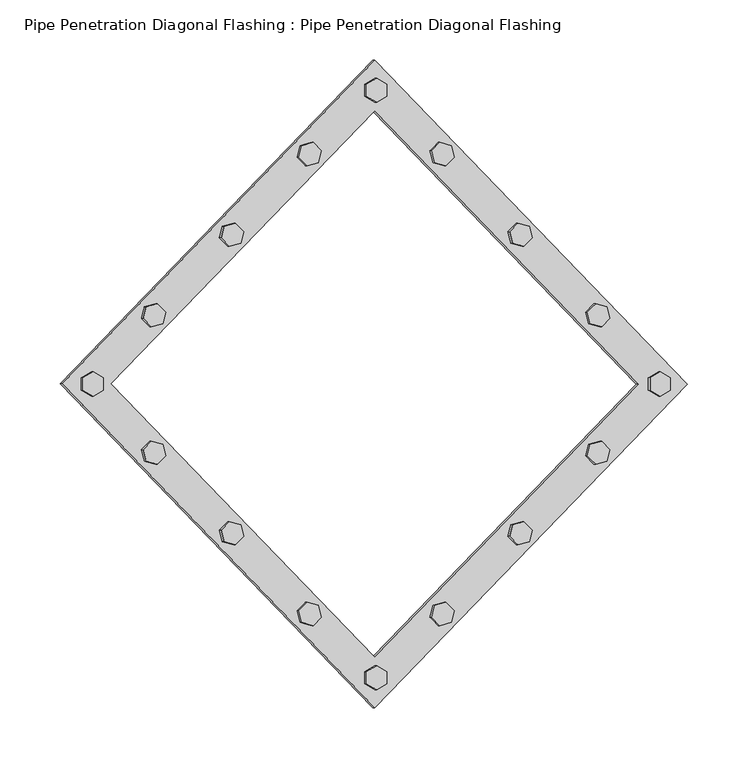
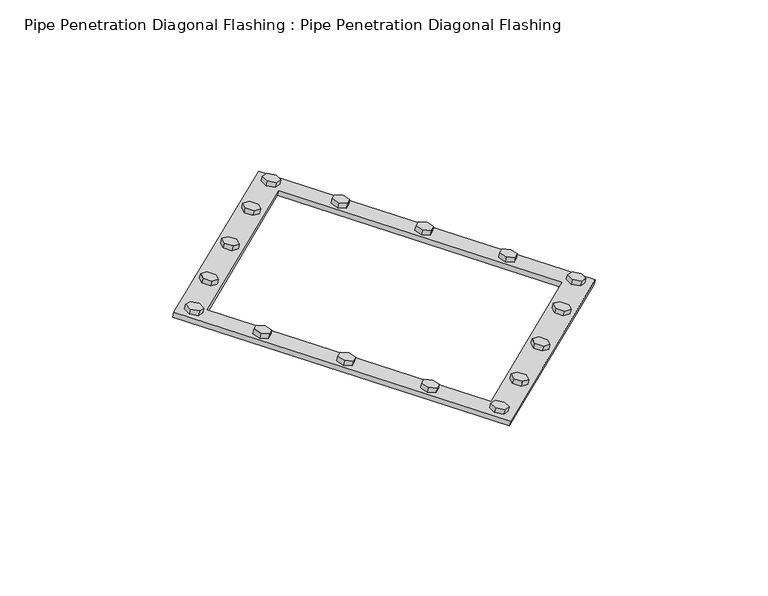
"""IFC4 building model written with IfcOpenShell, lengths in millimetres: proxy geometry, Pipe Penetration Diagonal Flashing : Pipe Penetration Diagonal Flashing."""

from ifc_helpers import new_model, si_unit, frame, origin, place, context, project, spatial, polyline, outline, extrude, source, transform, mapped, element, save


def pipe_penetration_diagonal_flashing_pipe_penetration_diagonal_d26f4a6a(model_context):
    return source(origin(), model_context, "Body", "SweptSolid", [
        extrude(outline(polyline([(0.0, 0.0), (5.0, -8.660254), (0.0, -17.3205081), (-10.0, -17.3205081), (-15.0, -8.6602541), (-10.0, 0.0), (0.0, 0.0)])), frame((4621.5566342, 3901.25, 5991.6812771), z_axis=(0.2588190451025194, 0.0, 0.9659258262890688), x_axis=(0.836516303737867, -0.4999999999998952, -0.2241438680420271)), (0.0, 0.0, 1.0), 5.7971449),
        extrude(outline(polyline([(-332.8208819, 89.2615414), (-327.8208819, 80.6012874), (-332.820882, 71.9410333), (-342.820882, 71.9410333), (-347.820882, 80.6012873), (-342.820882, 89.2615414), (-332.8208819, 89.2615414)])), frame((4621.5566342, 3901.25, 5991.6812771), z_axis=(0.2588190451025194, 0.0, 0.9659258262890688), x_axis=(0.836516303737867, -0.4999999999998952, -0.2241438680420271)), (0.0, 0.0, 1.0), 5.7971449),
        extrude(outline(polyline([(-84.1076785, -341.5223634), (-89.1076786, -350.1826175), (-99.1076786, -350.1826175), (-104.1076786, -341.5223634), (-99.1076786, -332.8621094), (-89.1076785, -332.8621094), (-84.1076785, -341.5223634)])), frame((4621.5566342, 3901.25, 5991.6812771), z_axis=(0.2588190451025194, 0.0, 0.9659258262890688), x_axis=(0.836516303737867, -0.4999999999998952, -0.2241438680420271)), (0.0, 0.0, 1.0), 5.7971449),
        extrude(outline(polyline([(-436.9285605, -252.260822), (-431.9285605, -243.600568), (-421.9285606, -243.600568), (-416.9285606, -252.2608221), (-421.9285605, -260.9210761), (-431.9285605, -260.9210761), (-436.9285605, -252.260822)])), frame((4621.5566342, 3901.25, 5991.6812771), z_axis=(0.2588190451025194, 0.0, 0.9659258262890688), x_axis=(0.836516303737867, -0.4999999999998952, -0.2241438680420271)), (0.0, 0.0, 1.0), 5.7971449),
        extrude(outline(polyline([(-160.9443468, 41.4159972), (-163.5325372, 31.756739), (-173.1917954, 29.1685485), (-180.2628633, 36.2396163), (-177.6746728, 45.8988746), (-168.0154146, 48.487065), (-160.9443468, 41.4159972)])), frame((4621.5566342, 3901.25, 5991.6812771), z_axis=(0.2588190451025194, 0.0, 0.9659258262890688), x_axis=(0.836516303737867, -0.4999999999998952, -0.2241438680420271)), (0.0, 0.0, 1.0), 5.7971449),
        extrude(outline(polyline([(-252.3076303, 65.8967153), (-254.8958208, 56.237457), (-264.5550791, 53.6492666), (-271.6261469, 60.7203343), (-269.0379564, 70.3795926), (-259.3786981, 72.9677831), (-252.3076303, 65.8967153)])), frame((4621.5566342, 3901.25, 5991.6812771), z_axis=(0.2588190451025194, 0.0, 0.9659258262890688), x_axis=(0.836516303737867, -0.4999999999998952, -0.2241438680420271)), (0.0, 0.0, 1.0), 5.7971449),
        extrude(outline(polyline([(-86.3113892, 21.4181565), (-76.652131, 24.006347), (-69.5810631, 16.9352791), (-72.1692536, 7.2760209), (-81.8285118, 4.6878305), (-88.8995796, 11.7588982), (-86.3113892, 21.4181565)])), frame((4621.5566342, 3901.25, 5991.6812771), z_axis=(0.2588190451025194, 0.0, 0.9659258262890688), x_axis=(0.836516303737867, -0.4999999999998952, -0.2241438680420271)), (0.0, 0.0, 1.0), 5.7971449),
        extrude(outline(polyline([(-39.6048677, -168.7501455), (-37.0166773, -178.4094038), (-44.087745, -185.4804716), (-53.7470033, -182.8922811), (-56.3351937, -173.2330229), (-49.2641259, -166.1619551), (-39.6048677, -168.7501455)])), frame((4621.5566342, 3901.25, 5991.6812771), z_axis=(0.2588190451025194, 0.0, 0.9659258262890688), x_axis=(0.836516303737867, -0.4999999999998952, -0.2241438680420271)), (0.0, 0.0, 1.0), 5.7971449),
        extrude(outline(polyline([(-64.0855857, -260.1134291), (-61.4973952, -269.7726874), (-68.5684631, -276.8437552), (-78.2277214, -274.2555647), (-80.8159118, -264.5963065), (-73.744844, -257.5252387), (-64.0855857, -260.1134291)])), frame((4621.5566342, 3901.25, 5991.6812771), z_axis=(0.2588190451025194, 0.0, 0.9659258262890688), x_axis=(0.836516303737867, -0.4999999999998952, -0.2241438680420271)), (0.0, 0.0, 1.0), 5.7971449),
        extrude(outline(polyline([(-19.607027, -94.117188), (-29.2662852, -91.5289975), (-31.8544756, -81.8697393), (-24.7834079, -74.7986714), (-15.1241496, -77.3868619), (-12.5359592, -87.0461202), (-19.607027, -94.117188)])), frame((4621.5566342, 3901.25, 5991.6812771), z_axis=(0.2588190451025194, 0.0, 0.9659258262890688), x_axis=(0.836516303737867, -0.4999999999998952, -0.2241438680420271)), (0.0, 0.0, 1.0), 5.7971449),
        extrude(outline(polyline([(-392.3236929, -92.1709306), (-394.9118833, -82.5116724), (-387.8408156, -75.4406045), (-378.1815572, -78.0287949), (-375.5933668, -87.6880532), (-382.6644347, -94.759121), (-392.3236929, -92.1709306)])), frame((4621.5566342, 3901.25, 5991.6812771), z_axis=(0.2588190451025194, 0.0, 0.9659258262890688), x_axis=(0.836516303737867, -0.4999999999998952, -0.2241438680420271)), (0.0, 0.0, 1.0), 5.7971449),
        extrude(outline(polyline([(-367.8429748, -0.807647), (-370.4311653, 8.8516113), (-363.3600975, 15.9226791), (-353.7008392, 13.3344886), (-351.1126488, 3.6752304), (-358.1837166, -3.3958374), (-367.8429748, -0.807647)])), frame((4621.5566342, 3901.25, 5991.6812771), z_axis=(0.2588190451025194, 0.0, 0.9659258262890688), x_axis=(0.836516303737867, -0.4999999999998952, -0.2241438680420271)), (0.0, 0.0, 1.0), 5.7971449),
        extrude(outline(polyline([(-412.3215335, -166.8038881), (-402.6622753, -169.3920786), (-400.0740849, -179.0513368), (-407.1451526, -186.1224046), (-416.804411, -183.5342142), (-419.3926014, -173.8749559), (-412.3215335, -166.8038881)])), frame((4621.5566342, 3901.25, 5991.6812771), z_axis=(0.2588190451025194, 0.0, 0.9659258262890688), x_axis=(0.836516303737867, -0.4999999999998952, -0.2241438680420271)), (0.0, 0.0, 1.0), 5.7971449),
        extrude(outline(polyline([(-270.9842138, -302.3370733), (-268.3960234, -292.6778151), (-258.7367651, -290.0896246), (-251.6656972, -297.1606924), (-254.2538878, -306.8199507), (-263.913146, -309.4081411), (-270.9842138, -302.3370733)])), frame((4621.5566342, 3901.25, 5991.6812771), z_axis=(0.2588190451025194, 0.0, 0.9659258262890688), x_axis=(0.836516303737867, -0.4999999999998952, -0.2241438680420271)), (0.0, 0.0, 1.0), 5.7971449),
        extrude(outline(polyline([(-179.6209302, -326.8177914), (-177.0327398, -317.1585331), (-167.3734815, -314.5703427), (-160.3024137, -321.6414105), (-162.8906042, -331.3006687), (-172.5498624, -333.8888592), (-179.6209302, -326.8177914)])), frame((4621.5566342, 3901.25, 5991.6812771), z_axis=(0.2588190451025194, 0.0, 0.9659258262890688), x_axis=(0.836516303737867, -0.4999999999998952, -0.2241438680420271)), (0.0, 0.0, 1.0), 5.7971449),
        extrude(outline(polyline([(-345.6171713, -282.3392325), (-355.2764296, -284.9274231), (-362.3474975, -277.8563552), (-359.7593069, -268.1970969), (-350.1000487, -265.6089065), (-343.0289809, -272.6799743), (-345.6171713, -282.3392325)])), frame((4621.5566342, 3901.25, 5991.6812771), z_axis=(0.2588190451025194, 0.0, 0.9659258262890688), x_axis=(0.836516303737867, -0.4999999999998952, -0.2241438680420271)), (0.0, 0.0, 1.0), 5.7971449),
        extrude(outline(polyline([(-40.0, -30.0), (-40.0, 349.9137803), (339.9137803, 349.9137803), (339.9137803, -30.0), (-40.0, -30.0)]), holes=[polyline([(309.9137803, 0.0), (309.9137803, 319.9137803), (-10.0, 319.9137802), (-10.0, 0.0), (309.9137803, 0.0)])]), frame((4164.7159313, 3889.1789322, 6108.0897285), z_axis=(0.25881904510251935, 0.0, 0.9659258262890686), x_axis=(0.6830127018922192, -0.7071067811865483, -0.18301270189221708)), (0.0, 0.0, 1.0), 5.7971449),
    ])


if __name__ == "__main__":
    model = new_model("IFC4")
    model_context = context("Model", 3, world=origin())
    ifc_project = project(units=[si_unit("LENGTHUNIT", "METRE", prefix="MILLI")], contexts=[model_context])
    site = spatial("IfcSite", under=ifc_project)
    building = spatial("IfcBuilding", under=site)
    placement = place(None, origin())
    pipe_penetration_diagonal_flashing_pipe_penetration_diagonal_shape = pipe_penetration_diagonal_flashing_pipe_penetration_diagonal_d26f4a6a(model_context)
    element("IfcBuildingElementProxy", 1, Name="Pipe Penetration Diagonal Flashing : Pipe Penetration Diagonal Flashing", ObjectType="Pipe Penetration Diagonal Flashing : Pipe Penetration Diagonal Flashing", at=placement, inside=building, context=model_context, shape_type="MappedRepresentation", body=[
        mapped(pipe_penetration_diagonal_flashing_pipe_penetration_diagonal_shape, transform((0.0, 0.0, 0.0), x_axis=(1.0, 0.0, 0.0), y_axis=(0.0, 1.0, 0.0), z_axis=(0.0, 0.0, 1.0))),
    ])
    save(model, "model.ifc")
